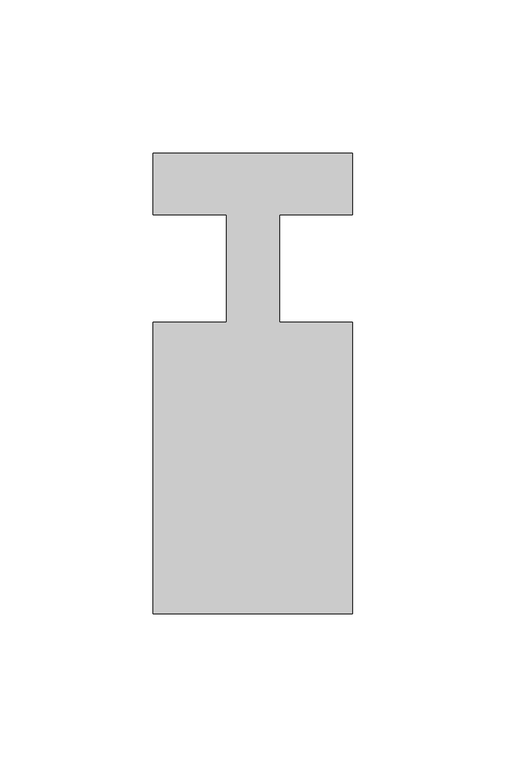
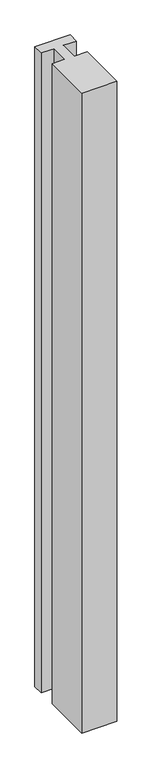
"""IFC4 building model written with IfcOpenShell, lengths in millimetres: member geometry."""

from ifc_helpers import new_model, si_unit, frame, origin, place, context, project, spatial, polyline, outline, extrude, source, transform, mapped, element, save


def member_de410df8(model_context):
    return source(origin(), model_context, "Body", "SweptSolid", [
        extrude(outline(polyline([(-65.0, 37.0), (0.0, 37.0), (0.0, 17.0), (-23.8125, 17.0), (-23.8125, -18.0), (0.0, -18.0), (0.0, -113.0), (-65.0, -113.0), (-65.0, -18.0), (-41.1875, -18.0), (-41.1875, 17.0), (-65.0, 17.0), (-65.0, 37.0)])), frame((0.0, 0.0, -1250.0), z_axis=(0.0, 0.0, 1.0), x_axis=(1.0, 0.0, 0.0)), (0.0, 0.0, 1.0), 1250.0),
    ])


if __name__ == "__main__":
    model = new_model("IFC4")
    model_context = context("Model", 3, world=origin())
    ifc_project = project(units=[si_unit("LENGTHUNIT", "METRE", prefix="MILLI")], contexts=[model_context])
    site = spatial("IfcSite", under=ifc_project)
    building = spatial("IfcBuilding", under=site)
    placement = place(None, origin())
    member_shape = member_de410df8(model_context)
    element("IfcMember", 1, at=placement, inside=building, context=model_context, shape_type="MappedRepresentation", body=[
        mapped(member_shape, transform((0.0, 0.0, 0.0), x_axis=(1.0, 0.0, 0.0), y_axis=(0.0, 1.0, 0.0), z_axis=(0.0, 0.0, 1.0))),
    ])
    save(model, "model.ifc")
